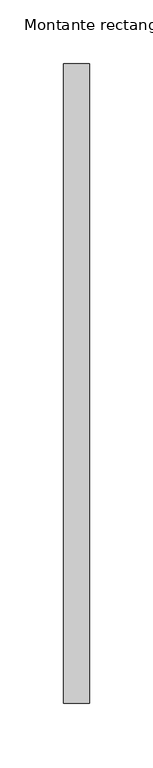
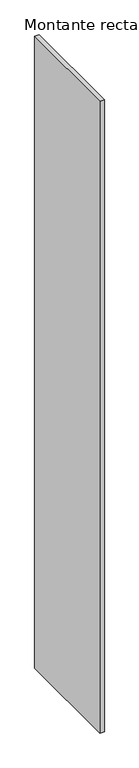
"""IFC4 building model written with IfcOpenShell, lengths in millimetres: member geometry, Montante rectangular."""

import ifcopenshell
import ifcopenshell.guid

model = None  # the IFC model being written
_history = None  # IfcOwnerHistory: only IFC2X3 demands one
_inside = {}  # id of a spatial element -> (the spatial element, [elements in it])
_under = {}  # id of a project, library or spatial element -> (it, [spatial elements below it])
_declared = {}  # id of a project -> (the project, [libraries it declares])
_typed = {}  # id of a type object -> (the type object, [elements of that type])
_made_of = {}  # id of a material, layer set ... -> (it, [elements and type objects made of it])


def new_model(schema):
    """Start an empty IFC model of exactly this schema.

    Asked for "IFC4X3", IfcOpenShell would pick the latest addendum, in which some entities
    have other attributes; the version numbers below select the first issue.
    IFC2X3 requires an IfcOwnerHistory on every rooted entity: one is made here for all.
    """
    global model, _history
    if schema == "IFC4X3":
        model = ifcopenshell.file(schema_version=(4, 3, 0, 0))
    else:
        model = ifcopenshell.file(schema=schema)
    _inside.clear()
    _under.clear()
    _declared.clear()
    _typed.clear()
    _made_of.clear()
    _history = None
    if model.schema == "IFC2X3":
        org = make("IfcOrganization", Name="unknown")
        user = make(
            "IfcPersonAndOrganization",
            ThePerson=make("IfcPerson", FamilyName="unknown"),
            TheOrganization=org,
        )
        app = make(
            "IfcApplication",
            ApplicationDeveloper=org,
            Version="unknown",
            ApplicationFullName="unknown",
            ApplicationIdentifier="unknown",
        )
        _history = make(
            "IfcOwnerHistory",
            OwningUser=user,
            OwningApplication=app,
            ChangeAction="ADDED",
            CreationDate=0,
        )
    return model


def make(cls, **values):
    """One entity of the class cls with the attributes given. An attribute that is None is left unset."""
    return model.create_entity(
        cls, **{name: value for name, value in values.items() if value is not None}
    )


def rooted(cls, **values):
    """An entity with a GlobalId (a new one), such as an element, a storey or a relation."""
    return make(cls, GlobalId=ifcopenshell.guid.new(), OwnerHistory=_history, **values)


def si_unit(unit_type, name, prefix=None):
    """IfcSIUnit, for example si_unit("LENGTHUNIT", "METRE", prefix="MILLI")."""
    return make("IfcSIUnit", UnitType=unit_type, Prefix=prefix, Name=name)


def assignment(units):
    """IfcUnitAssignment: the units of a project."""
    return None if units is None else make("IfcUnitAssignment", Units=units)


def point(xyz):
    """IfcCartesianPoint."""
    return None if xyz is None else make("IfcCartesianPoint", Coordinates=xyz)


def direction(xyz):
    """IfcDirection."""
    return None if xyz is None else make("IfcDirection", DirectionRatios=xyz)


def frame(location, z_axis=None, x_axis=None):
    """IfcAxis2Placement3D, a coordinate frame: its origin and axes. An axis left out is left unset."""
    return make(
        "IfcAxis2Placement3D",
        Location=point(location),
        Axis=direction(z_axis),
        RefDirection=direction(x_axis),
    )


def origin():
    """The frame at (0, 0, 0) with its axes left unset."""
    return frame((0.0, 0.0, 0.0))


def place(relative_to, where):
    """IfcLocalPlacement: puts the frame where relative to a parent placement (None: the world)."""
    return make(
        "IfcLocalPlacement", PlacementRelTo=relative_to, RelativePlacement=where
    )


def context(
    kind, dimensions, precision=None, world=None, true_north=None, identifier=None
):
    """IfcGeometricRepresentationContext, for example the 3D "Model" context."""
    return make(
        "IfcGeometricRepresentationContext",
        ContextIdentifier=identifier,
        ContextType=kind,
        CoordinateSpaceDimension=dimensions,
        Precision=precision,
        WorldCoordinateSystem=world,
        TrueNorth=true_north,
    )


def project(units=None, contexts=None):
    """IfcProject with its units and contexts."""
    return rooted(
        "IfcProject",
        Name="project",
        RepresentationContexts=contexts,
        UnitsInContext=assignment(units),
    )


def spatial(cls, under=None, at=None, **own):
    """A site, building, storey or space (cls), placed at a placement, below another one or the project."""
    s = rooted(cls, ObjectPlacement=at, **own)
    if under is not None:
        _under.setdefault(under.id(), (under, []))[1].append(s)
    return s


def polyline(points):
    """IfcPolyline through the points."""
    return make("IfcPolyline", Points=[point(p) for p in points])


def outline(outer, holes=None, kind="AREA"):
    """IfcArbitraryClosedProfileDef: a profile drawn as a closed curve; with holes, ...WithVoids."""
    if holes is None:
        return make("IfcArbitraryClosedProfileDef", ProfileType=kind, OuterCurve=outer)
    return make(
        "IfcArbitraryProfileDefWithVoids",
        ProfileType=kind,
        OuterCurve=outer,
        InnerCurves=holes,
    )


def extrude(swept, where, along, depth):
    """IfcExtrudedAreaSolid: the profile swept, set in the frame where, extruded along a direction by depth."""
    return make(
        "IfcExtrudedAreaSolid",
        SweptArea=swept,
        Position=where,
        ExtrudedDirection=direction(along),
        Depth=depth,
    )


def shape(context_of_items, identifier, shape_type, items):
    """IfcShapeRepresentation: the items that make up one representation, for example the "Body"."""
    return make(
        "IfcShapeRepresentation",
        ContextOfItems=context_of_items,
        RepresentationIdentifier=identifier,
        RepresentationType=shape_type,
        Items=items,
    )


def source(mapping_origin, context_of_items, identifier, shape_type, items):
    """IfcRepresentationMap: a shape defined once, which mapped items show again and again."""
    return make(
        "IfcRepresentationMap",
        MappingOrigin=mapping_origin,
        MappedRepresentation=shape(context_of_items, identifier, shape_type, items),
    )


def transform(
    local_origin,
    x_axis=None,
    y_axis=None,
    z_axis=None,
    scale=None,
    scale2=None,
    scale3=None,
    uniform=True,
):
    """IfcCartesianTransformationOperator3D, or its non-uniform kind. x_axis, y_axis, z_axis: its Axis1, 2, 3."""
    if uniform:
        return make(
            "IfcCartesianTransformationOperator3D",
            Axis1=direction(x_axis),
            Axis2=direction(y_axis),
            LocalOrigin=point(local_origin),
            Scale=scale,
            Axis3=direction(z_axis),
        )
    return make(
        "IfcCartesianTransformationOperator3DnonUniform",
        Axis1=direction(x_axis),
        Axis2=direction(y_axis),
        LocalOrigin=point(local_origin),
        Scale=scale,
        Axis3=direction(z_axis),
        Scale2=scale2,
        Scale3=scale3,
    )


def mapped(mapping_source, mapping_target):
    """IfcMappedItem: shows the shape of a source again, moved by a transform."""
    return make(
        "IfcMappedItem", MappingSource=mapping_source, MappingTarget=mapping_target
    )


def made_of(thing, what):
    """Note that an element or type object is made of a material, layer set ...; save() writes the relation."""
    if what is not None:
        _made_of.setdefault(what.id(), (what, []))[1].append(thing)
    return thing


def element(
    cls,
    number,
    at=None,
    inside=None,
    cuts=None,
    type_object=None,
    material=None,
    context=None,
    identifier="Body",
    shape_type=None,
    held_by="IfcProductDefinitionShape",
    body=None,
    shapes=None,
    **own,
):
    """One element of the class cls, such as IfcWall. Its Tag is "e" and its number.

    at: its placement. inside: the storey or other place that contains it. cuts: it is an
    opening in that element (IfcRelVoidsElement). A single representation is given by context,
    identifier, shape_type and body (its items); several are given by shapes. held_by: the class
    of the entity that holds the representations. save() writes the other relations.
    """
    e = rooted(cls, Tag="e%d" % number, ObjectPlacement=at, **own)
    if body is not None:
        shapes = [shape(context, identifier, shape_type, body)]
    if shapes is not None:
        e.Representation = make(held_by, Representations=shapes)
    if inside is not None:
        _inside.setdefault(inside.id(), (inside, []))[1].append(e)
    if cuts is not None:
        rooted(
            "IfcRelVoidsElement", RelatingBuildingElement=cuts, RelatedOpeningElement=e
        )
    if type_object is not None:
        _typed.setdefault(type_object.id(), (type_object, []))[1].append(e)
    return made_of(e, material)


def aggregate(whole, parts):
    """IfcRelAggregates: a whole, such as a stair, and the parts it consists of."""
    return rooted("IfcRelAggregates", RelatingObject=whole, RelatedObjects=parts)


def save(model, path):
    """Write the relations noted so far, then the file.

    IfcRelAggregates (storeys below a building ...), IfcRelContainedInSpatialStructure (elements
    in a storey), IfcRelDefinesByType, IfcRelAssociatesMaterial and IfcRelDeclares: one each for
    every whole, place, type object, material and project.
    """
    for whole, parts in _under.values():
        aggregate(whole, parts)
    for where, things in _inside.values():
        rooted(
            "IfcRelContainedInSpatialStructure",
            RelatedElements=things,
            RelatingStructure=where,
        )
    for kind, things in _typed.values():
        rooted("IfcRelDefinesByType", RelatedObjects=things, RelatingType=kind)
    for what, things in _made_of.values():
        rooted("IfcRelAssociatesMaterial", RelatedObjects=things, RelatingMaterial=what)
    for by, libraries in _declared.values():
        rooted("IfcRelDeclares", RelatingContext=by, RelatedDefinitions=libraries)
    model.write(path)


def montante_rectangular_e4f4972f(model_context):
    return source(origin(), model_context, "Body", "SweptSolid", [
        extrude(outline(polyline([(10.0, 250.0), (10.0, -250.0), (-10.0, -250.0), (-10.0, 250.0), (10.0, 250.0)])), frame((0.0, 0.0, -2960.0), z_axis=(0.0, 0.0, 1.0), x_axis=(1.0, 0.0, 0.0)), (0.0, 0.0, 1.0), 2960.0),
    ])


if __name__ == "__main__":
    model = new_model("IFC4")
    model_context = context("Model", 3, world=origin())
    ifc_project = project(units=[si_unit("LENGTHUNIT", "METRE", prefix="MILLI")], contexts=[model_context])
    site = spatial("IfcSite", under=ifc_project)
    building = spatial("IfcBuilding", under=site)
    placement = place(None, origin())
    montante_rectangular_shape = montante_rectangular_e4f4972f(model_context)
    element("IfcMember", 1, ObjectType="Montante rectangular", at=placement, inside=building, context=model_context, shape_type="MappedRepresentation", body=[
        mapped(montante_rectangular_shape, transform((0.0, 0.0, 0.0), x_axis=(1.0, 0.0, 0.0), y_axis=(0.0, 1.0, 0.0), z_axis=(0.0, 0.0, 1.0))),
    ])
    save(model, "model.ifc")
